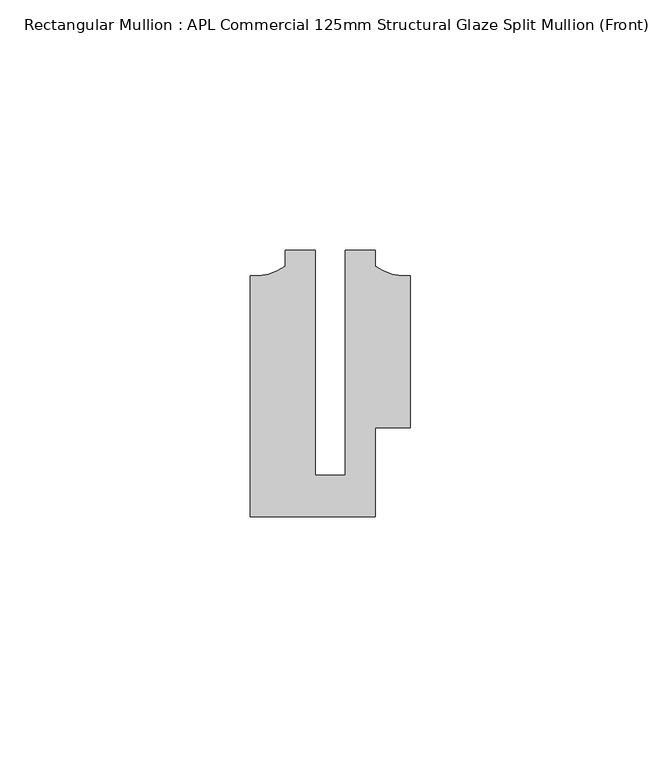
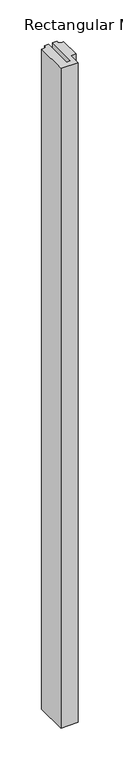
"""IFC4 building model written with IfcOpenShell, lengths in millimetres: member geometry, Rectangular Mullion : APL Commercial 125mm Structural Glaze Split Mullion (Front)."""

from ifc_helpers import new_model, si_unit, point, frame, frame_2d, origin, place, context, project, spatial, polyline, circle_curve, trimmed, segment, composite_curve, outline, extrude, source, transform, mapped, element, save


def rectangular_mullion_apl_commercial_125mm_structural_glaze_cee821c9(model_context):
    return source(origin(), model_context, "Body", "SweptSolid", [
        extrude(outline(composite_curve([segment(polyline([(15.9999391, -14.9953356), (9.0, -14.9953356), (9.0, -32.7960123), (-15.9999391, -32.7960123), (-15.9999391, 15.3837352)]), True, "CONTINUOUS"), segment(trimmed(circle_curve(frame_2d((-15.1098019, 25.802169)), 10.4563907), [point((-15.9999391, 15.3837352))], [point((-8.9999842, 17.3165203))], True, "CARTESIAN"), True, "CONTINUOUS"), segment(polyline([(-8.9999842, 17.3165203), (-8.9999842, 20.5039877), (-2.9999659, 20.5039877), (-2.9999659, -24.5130805), (2.9999676, -24.5130805), (2.9999676, 20.5039877), (8.9999842, 20.5039877), (8.9999842, 17.3165203)]), True, "CONTINUOUS"), segment(trimmed(circle_curve(frame_2d((15.1098019, 25.802169)), 10.4563907), [point((8.9999842, 17.3165203))], [point((15.9999391, 15.3837352))], True, "CARTESIAN"), True, "CONTINUOUS"), segment(polyline([(15.9999391, 15.3837352), (15.9999391, -14.9953356)]), True, "CONTINUOUS")], self_intersect=False)), frame((0.0, 0.0, -1010.8287902), z_axis=(0.0, 0.0, 1.0), x_axis=(1.0, 0.0, 0.0)), (0.0, 0.0, 1.0), 1010.8287902),
    ])


if __name__ == "__main__":
    model = new_model("IFC4")
    model_context = context("Model", 3, world=origin())
    ifc_project = project(units=[si_unit("LENGTHUNIT", "METRE", prefix="MILLI")], contexts=[model_context])
    site = spatial("IfcSite", under=ifc_project)
    building = spatial("IfcBuilding", under=site)
    placement = place(None, origin())
    rectangular_mullion_apl_commercial_125mm_structural_glaze_shape = rectangular_mullion_apl_commercial_125mm_structural_glaze_cee821c9(model_context)
    element("IfcMember", 1, ObjectType="Rectangular Mullion : APL Commercial 125mm Structural Glaze Split Mullion (Front)", at=placement, inside=building, context=model_context, shape_type="MappedRepresentation", body=[
        mapped(rectangular_mullion_apl_commercial_125mm_structural_glaze_shape, transform((0.0, 0.0, 0.0), x_axis=(1.0, 0.0, 0.0), y_axis=(0.0, 1.0, 0.0), z_axis=(0.0, 0.0, 1.0))),
    ])
    save(model, "model.ifc")
